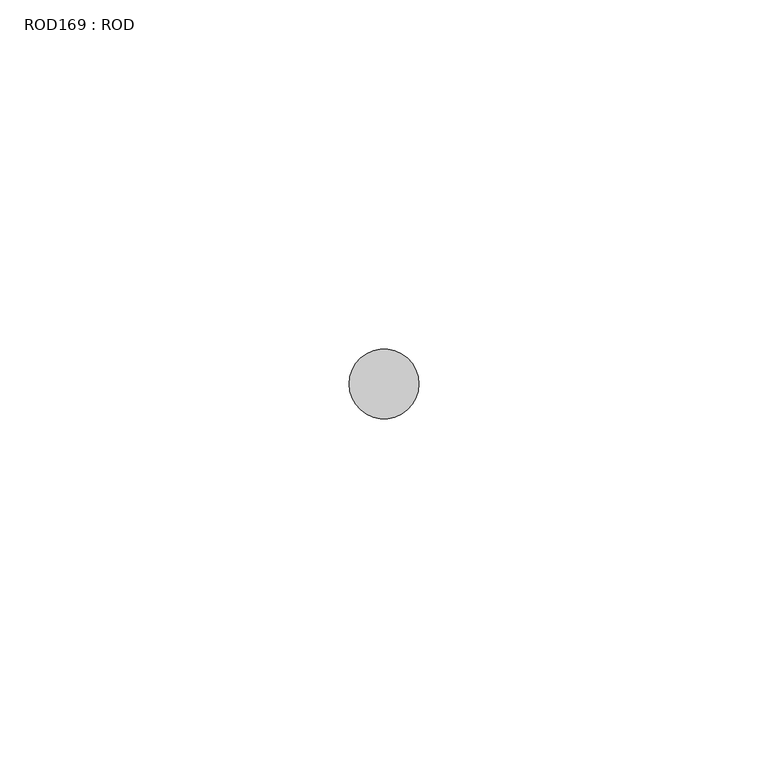
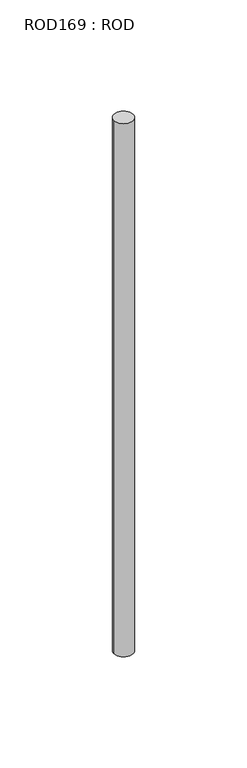
"""IFC4 building model written with IfcOpenShell, lengths in millimetres: proxy geometry, ROD169 : ROD."""

from ifc_helpers import new_model, si_unit, point, frame, frame_2d, origin, place, context, project, spatial, circle_curve, trimmed, segment, composite_curve, outline, extrude, source, transform, mapped, element, save


def rod169_rod_16052e2f(model_context):
    return source(origin(), model_context, "Body", "SweptSolid", [
        extrude(outline(composite_curve([segment(trimmed(circle_curve(frame_2d((7499.7673324, -21766.6028424)), 5.0), [point((7494.7673324, -21766.6028424))], [point((7504.7673324, -21766.6028424))], False, "CARTESIAN"), True, "CONTINUOUS"), segment(trimmed(circle_curve(frame_2d((7499.7673324, -21766.6028424)), 5.0), [point((7504.7673324, -21766.6028424))], [point((7494.7673324, -21766.6028424))], False, "CARTESIAN"), True, "CONTINUOUS")], self_intersect=False)), frame((0.0, 0.0, 166.3391155), z_axis=(0.0, 0.0, 1.0), x_axis=(1.0, 0.0, 0.0)), (0.0, 0.0, 1.0), 298.9028972),
    ])


if __name__ == "__main__":
    model = new_model("IFC4")
    model_context = context("Model", 3, world=origin())
    ifc_project = project(units=[si_unit("LENGTHUNIT", "METRE", prefix="MILLI")], contexts=[model_context])
    site = spatial("IfcSite", under=ifc_project)
    building = spatial("IfcBuilding", under=site)
    placement = place(None, origin())
    rod169_rod_shape = rod169_rod_16052e2f(model_context)
    element("IfcBuildingElementProxy", 1, Name="ROD169 : ROD", ObjectType="ROD169 : ROD", at=placement, inside=building, context=model_context, shape_type="MappedRepresentation", body=[
        mapped(rod169_rod_shape, transform((0.0, 0.0, 0.0), x_axis=(1.0, 0.0, 0.0), y_axis=(0.0, 1.0, 0.0), z_axis=(0.0, 0.0, 1.0))),
    ])
    save(model, "model.ifc")
